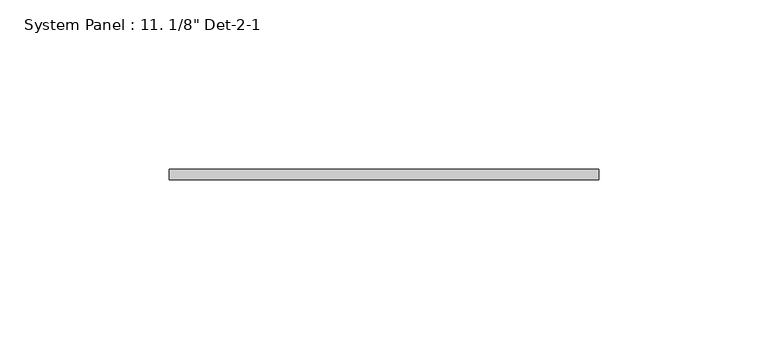
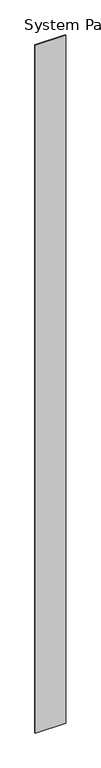
"""IFC4 building model written with IfcOpenShell, lengths in millimetres: plate geometry."""

import ifcopenshell
import ifcopenshell.guid

model = None  # the IFC model being written
_history = None  # IfcOwnerHistory: only IFC2X3 demands one
_inside = {}  # id of a spatial element -> (the spatial element, [elements in it])
_under = {}  # id of a project, library or spatial element -> (it, [spatial elements below it])
_declared = {}  # id of a project -> (the project, [libraries it declares])
_typed = {}  # id of a type object -> (the type object, [elements of that type])
_made_of = {}  # id of a material, layer set ... -> (it, [elements and type objects made of it])


def new_model(schema):
    """Start an empty IFC model of exactly this schema.

    Asked for "IFC4X3", IfcOpenShell would pick the latest addendum, in which some entities
    have other attributes; the version numbers below select the first issue.
    IFC2X3 requires an IfcOwnerHistory on every rooted entity: one is made here for all.
    """
    global model, _history
    if schema == "IFC4X3":
        model = ifcopenshell.file(schema_version=(4, 3, 0, 0))
    else:
        model = ifcopenshell.file(schema=schema)
    _inside.clear()
    _under.clear()
    _declared.clear()
    _typed.clear()
    _made_of.clear()
    _history = None
    if model.schema == "IFC2X3":
        org = make("IfcOrganization", Name="unknown")
        user = make(
            "IfcPersonAndOrganization",
            ThePerson=make("IfcPerson", FamilyName="unknown"),
            TheOrganization=org,
        )
        app = make(
            "IfcApplication",
            ApplicationDeveloper=org,
            Version="unknown",
            ApplicationFullName="unknown",
            ApplicationIdentifier="unknown",
        )
        _history = make(
            "IfcOwnerHistory",
            OwningUser=user,
            OwningApplication=app,
            ChangeAction="ADDED",
            CreationDate=0,
        )
    return model


def make(cls, **values):
    """One entity of the class cls with the attributes given. An attribute that is None is left unset."""
    return model.create_entity(
        cls, **{name: value for name, value in values.items() if value is not None}
    )


def rooted(cls, **values):
    """An entity with a GlobalId (a new one), such as an element, a storey or a relation."""
    return make(cls, GlobalId=ifcopenshell.guid.new(), OwnerHistory=_history, **values)


def si_unit(unit_type, name, prefix=None):
    """IfcSIUnit, for example si_unit("LENGTHUNIT", "METRE", prefix="MILLI")."""
    return make("IfcSIUnit", UnitType=unit_type, Prefix=prefix, Name=name)


def assignment(units):
    """IfcUnitAssignment: the units of a project."""
    return None if units is None else make("IfcUnitAssignment", Units=units)


def point(xyz):
    """IfcCartesianPoint."""
    return None if xyz is None else make("IfcCartesianPoint", Coordinates=xyz)


def direction(xyz):
    """IfcDirection."""
    return None if xyz is None else make("IfcDirection", DirectionRatios=xyz)


def frame(location, z_axis=None, x_axis=None):
    """IfcAxis2Placement3D, a coordinate frame: its origin and axes. An axis left out is left unset."""
    return make(
        "IfcAxis2Placement3D",
        Location=point(location),
        Axis=direction(z_axis),
        RefDirection=direction(x_axis),
    )


def origin():
    """The frame at (0, 0, 0) with its axes left unset."""
    return frame((0.0, 0.0, 0.0))


def origin_with_axes():
    """The frame at (0, 0, 0) with the z axis (0, 0, 1) and the x axis (1, 0, 0) written out."""
    return frame((0.0, 0.0, 0.0), z_axis=(0.0, 0.0, 1.0), x_axis=(1.0, 0.0, 0.0))


def place(relative_to, where):
    """IfcLocalPlacement: puts the frame where relative to a parent placement (None: the world)."""
    return make(
        "IfcLocalPlacement", PlacementRelTo=relative_to, RelativePlacement=where
    )


def context(
    kind, dimensions, precision=None, world=None, true_north=None, identifier=None
):
    """IfcGeometricRepresentationContext, for example the 3D "Model" context."""
    return make(
        "IfcGeometricRepresentationContext",
        ContextIdentifier=identifier,
        ContextType=kind,
        CoordinateSpaceDimension=dimensions,
        Precision=precision,
        WorldCoordinateSystem=world,
        TrueNorth=true_north,
    )


def project(units=None, contexts=None):
    """IfcProject with its units and contexts."""
    return rooted(
        "IfcProject",
        Name="project",
        RepresentationContexts=contexts,
        UnitsInContext=assignment(units),
    )


def spatial(cls, under=None, at=None, **own):
    """A site, building, storey or space (cls), placed at a placement, below another one or the project."""
    s = rooted(cls, ObjectPlacement=at, **own)
    if under is not None:
        _under.setdefault(under.id(), (under, []))[1].append(s)
    return s


def polyline(points):
    """IfcPolyline through the points."""
    return make("IfcPolyline", Points=[point(p) for p in points])


def outline(outer, holes=None, kind="AREA"):
    """IfcArbitraryClosedProfileDef: a profile drawn as a closed curve; with holes, ...WithVoids."""
    if holes is None:
        return make("IfcArbitraryClosedProfileDef", ProfileType=kind, OuterCurve=outer)
    return make(
        "IfcArbitraryProfileDefWithVoids",
        ProfileType=kind,
        OuterCurve=outer,
        InnerCurves=holes,
    )


def extrude(swept, where, along, depth):
    """IfcExtrudedAreaSolid: the profile swept, set in the frame where, extruded along a direction by depth."""
    return make(
        "IfcExtrudedAreaSolid",
        SweptArea=swept,
        Position=where,
        ExtrudedDirection=direction(along),
        Depth=depth,
    )


def shape(context_of_items, identifier, shape_type, items):
    """IfcShapeRepresentation: the items that make up one representation, for example the "Body"."""
    return make(
        "IfcShapeRepresentation",
        ContextOfItems=context_of_items,
        RepresentationIdentifier=identifier,
        RepresentationType=shape_type,
        Items=items,
    )


def source(mapping_origin, context_of_items, identifier, shape_type, items):
    """IfcRepresentationMap: a shape defined once, which mapped items show again and again."""
    return make(
        "IfcRepresentationMap",
        MappingOrigin=mapping_origin,
        MappedRepresentation=shape(context_of_items, identifier, shape_type, items),
    )


def transform(
    local_origin,
    x_axis=None,
    y_axis=None,
    z_axis=None,
    scale=None,
    scale2=None,
    scale3=None,
    uniform=True,
):
    """IfcCartesianTransformationOperator3D, or its non-uniform kind. x_axis, y_axis, z_axis: its Axis1, 2, 3."""
    if uniform:
        return make(
            "IfcCartesianTransformationOperator3D",
            Axis1=direction(x_axis),
            Axis2=direction(y_axis),
            LocalOrigin=point(local_origin),
            Scale=scale,
            Axis3=direction(z_axis),
        )
    return make(
        "IfcCartesianTransformationOperator3DnonUniform",
        Axis1=direction(x_axis),
        Axis2=direction(y_axis),
        LocalOrigin=point(local_origin),
        Scale=scale,
        Axis3=direction(z_axis),
        Scale2=scale2,
        Scale3=scale3,
    )


def mapped(mapping_source, mapping_target):
    """IfcMappedItem: shows the shape of a source again, moved by a transform."""
    return make(
        "IfcMappedItem", MappingSource=mapping_source, MappingTarget=mapping_target
    )


def made_of(thing, what):
    """Note that an element or type object is made of a material, layer set ...; save() writes the relation."""
    if what is not None:
        _made_of.setdefault(what.id(), (what, []))[1].append(thing)
    return thing


def element(
    cls,
    number,
    at=None,
    inside=None,
    cuts=None,
    type_object=None,
    material=None,
    context=None,
    identifier="Body",
    shape_type=None,
    held_by="IfcProductDefinitionShape",
    body=None,
    shapes=None,
    **own,
):
    """One element of the class cls, such as IfcWall. Its Tag is "e" and its number.

    at: its placement. inside: the storey or other place that contains it. cuts: it is an
    opening in that element (IfcRelVoidsElement). A single representation is given by context,
    identifier, shape_type and body (its items); several are given by shapes. held_by: the class
    of the entity that holds the representations. save() writes the other relations.
    """
    e = rooted(cls, Tag="e%d" % number, ObjectPlacement=at, **own)
    if body is not None:
        shapes = [shape(context, identifier, shape_type, body)]
    if shapes is not None:
        e.Representation = make(held_by, Representations=shapes)
    if inside is not None:
        _inside.setdefault(inside.id(), (inside, []))[1].append(e)
    if cuts is not None:
        rooted(
            "IfcRelVoidsElement", RelatingBuildingElement=cuts, RelatedOpeningElement=e
        )
    if type_object is not None:
        _typed.setdefault(type_object.id(), (type_object, []))[1].append(e)
    return made_of(e, material)


def aggregate(whole, parts):
    """IfcRelAggregates: a whole, such as a stair, and the parts it consists of."""
    return rooted("IfcRelAggregates", RelatingObject=whole, RelatedObjects=parts)


def save(model, path):
    """Write the relations noted so far, then the file.

    IfcRelAggregates (storeys below a building ...), IfcRelContainedInSpatialStructure (elements
    in a storey), IfcRelDefinesByType, IfcRelAssociatesMaterial and IfcRelDeclares: one each for
    every whole, place, type object, material and project.
    """
    for whole, parts in _under.values():
        aggregate(whole, parts)
    for where, things in _inside.values():
        rooted(
            "IfcRelContainedInSpatialStructure",
            RelatedElements=things,
            RelatingStructure=where,
        )
    for kind, things in _typed.values():
        rooted("IfcRelDefinesByType", RelatedObjects=things, RelatingType=kind)
    for what, things in _made_of.values():
        rooted("IfcRelAssociatesMaterial", RelatedObjects=things, RelatingMaterial=what)
    for by, libraries in _declared.values():
        rooted("IfcRelDeclares", RelatingContext=by, RelatedDefinitions=libraries)
    model.write(path)


def plate_ddade375(model_context):
    return source(origin(), model_context, "Body", "SweptSolid", [
        extrude(outline(polyline([(63.5, 0.0), (-63.5, 0.0), (-63.5, 3.175), (63.5, 3.175), (63.5, 0.0)])), origin_with_axes(), (0.0, 0.0, 1.0), 3048.0),
    ])


if __name__ == "__main__":
    model = new_model("IFC4")
    model_context = context("Model", 3, world=origin())
    ifc_project = project(units=[si_unit("LENGTHUNIT", "METRE", prefix="MILLI")], contexts=[model_context])
    site = spatial("IfcSite", under=ifc_project)
    building = spatial("IfcBuilding", under=site)
    placement = place(None, origin())
    plate_shape = plate_ddade375(model_context)
    element("IfcPlate", 1, ObjectType="System Panel : 11. 1/8\" Det-2-1", at=placement, inside=building, context=model_context, shape_type="MappedRepresentation", body=[
        mapped(plate_shape, transform((0.0, 0.0, 0.0), x_axis=(1.0, 0.0, 0.0), y_axis=(0.0, 1.0, 0.0), z_axis=(0.0, 0.0, 1.0))),
    ])
    save(model, "model.ifc")
